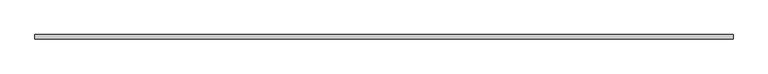
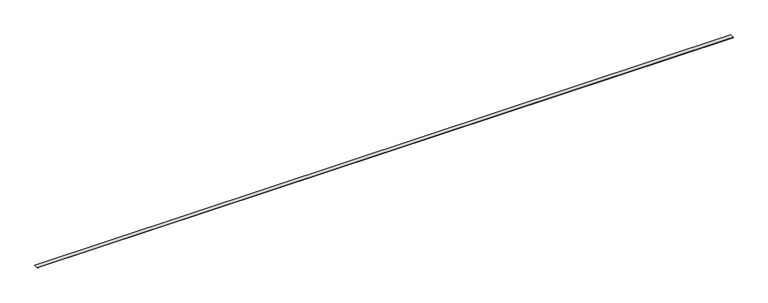
"""IFC4 building model written with IfcOpenShell, lengths in millimetres: proxy geometry."""

from ifc_helpers import new_model, si_unit, frame, origin, place, context, project, spatial, polyline, outline, extrude, source, transform, mapped, element, save


def specialty_equipment_2a040b6d(model_context):
    return source(origin(), model_context, "Body", "SweptSolid", [
        extrude(outline(polyline([(11887.2, 0.0), (11887.2, -76.2), (0.0, -76.2), (0.0, 0.0), (11887.2, 0.0)])), frame((0.0, 0.0, 1.5875), z_axis=(0.0, 0.0, 1.0), x_axis=(1.0, 0.0, 0.0)), (0.0, 0.0, 1.0), 1.5875),
    ])


if __name__ == "__main__":
    model = new_model("IFC4")
    model_context = context("Model", 3, world=origin())
    ifc_project = project(units=[si_unit("LENGTHUNIT", "METRE", prefix="MILLI")], contexts=[model_context])
    site = spatial("IfcSite", under=ifc_project)
    building = spatial("IfcBuilding", under=site)
    placement = place(None, origin())
    specialty_equipment_shape = specialty_equipment_2a040b6d(model_context)
    element("IfcBuildingElementProxy", 1, Name="Specialty Equipment", at=placement, inside=building, context=model_context, shape_type="MappedRepresentation", body=[
        mapped(specialty_equipment_shape, transform((0.0, 0.0, 0.0), x_axis=(1.0, 0.0, 0.0), y_axis=(0.0, 1.0, 0.0), z_axis=(0.0, 0.0, 1.0))),
    ])
    save(model, "model.ifc")
